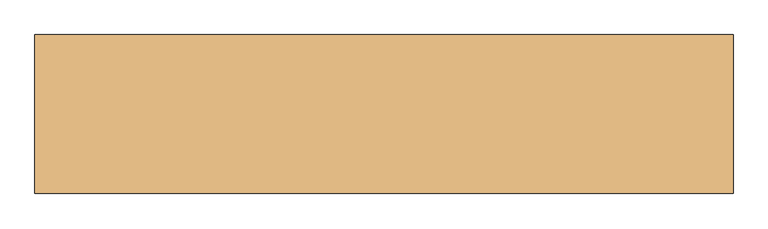
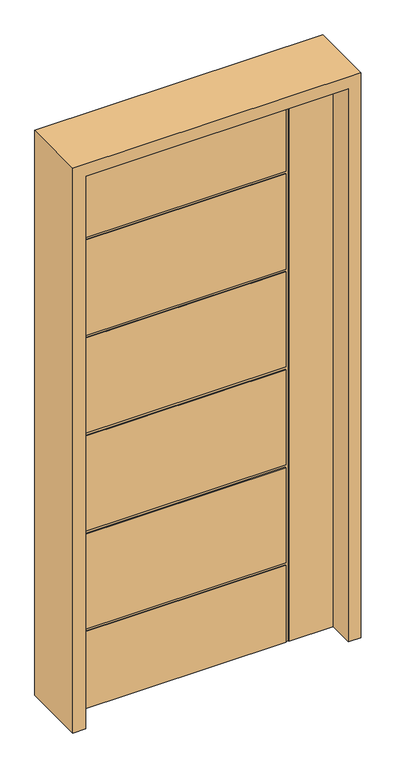
"""IFC4 building model written with IfcOpenShell, lengths in millimetres: door geometry."""

from ifc_helpers import new_model, si_unit, frame, origin, place, context, project, spatial, polyline, outline, extrude, faceted_brep, source, transform, mapped, element, save


def door_2d1f1983(model_context):
    return source(origin(), model_context, "Body", "SolidModel", [
        faceted_brep([(-457.2, -22.225, 0.0), (-457.2, 22.225, 0.0), (293.624, 22.225, 0.0), (293.624, 18.923, 0.0), (303.53, 18.923, 0.0), (303.53, 22.225, 0.0), (457.2, 22.225, 0.0), (457.2, -22.225, 0.0), (303.53, -22.225, 0.0), (303.53, -18.923, 0.0), (293.624, -18.923, 0.0), (293.624, -22.225, 0.0), (-457.2, -22.225, 2032.0), (-457.2, 22.225, 2032.0), (-457.2, 22.225, 1731.518), (-457.2, 18.923, 1731.518), (-457.2, 18.923, 1721.612), (-457.2, 22.225, 1721.612), (-457.2, 22.225, 1371.6), (-457.2, 18.923, 1371.6), (-457.2, 18.923, 1361.694), (-457.2, 22.225, 1361.694), (-457.2, 22.225, 1011.682), (-457.2, 18.923, 1011.682), (-457.2, 18.923, 1001.776), (-457.2, 22.225, 1001.776), (-457.2, 22.225, 651.764), (-457.2, 18.923, 651.764), (-457.2, 18.923, 641.858), (-457.2, 22.225, 641.858), (-457.2, 22.225, 291.846), (-457.2, 18.923, 291.846), (-457.2, 18.923, 281.94), (-457.2, 22.225, 281.94), (-457.2, -22.225, 281.94), (-457.2, -18.923, 281.94), (-457.2, -18.923, 291.846), (-457.2, -22.225, 291.846), (-457.2, -22.225, 641.858), (-457.2, -18.923, 641.858), (-457.2, -18.923, 651.764), (-457.2, -22.225, 651.764), (-457.2, -22.225, 1001.776), (-457.2, -18.923, 1001.776), (-457.2, -18.923, 1011.682), (-457.2, -22.225, 1011.682), (-457.2, -22.225, 1361.694), (-457.2, -18.923, 1361.694), (-457.2, -18.923, 1371.6), (-457.2, -22.225, 1371.6), (-457.2, -22.225, 1721.612), (-457.2, -18.923, 1721.612), (-457.2, -18.923, 1731.518), (-457.2, -22.225, 1731.518), (293.624, 22.225, 281.94), (293.624, 22.225, 1721.612), (293.624, 22.225, 1371.6), (293.624, 22.225, 1361.694), (293.624, 22.225, 1011.682), (293.624, 22.225, 1001.776), (293.624, 22.225, 651.764), (293.624, 22.225, 641.858), (293.624, 22.225, 291.846), (457.2, 22.225, 2032.0), (303.53, 22.225, 2032.0), (293.624, 22.225, 2032.0), (293.624, 22.225, 1731.518), (293.624, 18.923, 281.94), (293.624, 18.923, 291.846), (293.624, 18.923, 641.858), (293.624, 18.923, 651.764), (293.624, 18.923, 1001.776), (293.624, 18.923, 1011.682), (293.624, 18.923, 1361.694), (293.624, 18.923, 1371.6), (293.624, 18.923, 1721.612), (293.624, 18.923, 1731.518), (293.624, 18.923, 2032.0), (303.53, 18.923, 2032.0), (457.2, -22.225, 2032.0), (293.624, -22.225, 281.94), (303.53, -22.225, 2032.0), (293.624, -22.225, 291.846), (293.624, -22.225, 641.858), (293.624, -22.225, 651.764), (293.624, -22.225, 1001.776), (293.624, -22.225, 1011.682), (293.624, -22.225, 1361.694), (293.624, -22.225, 1371.6), (293.624, -22.225, 1721.612), (293.624, -22.225, 2032.0), (293.624, -22.225, 1731.518), (293.624, -18.923, 2032.0), (303.53, -18.923, 2032.0), (293.624, -18.923, 291.846), (293.624, -18.923, 281.94), (293.624, -18.923, 1731.518), (293.624, -18.923, 1721.612), (293.624, -18.923, 1371.6), (293.624, -18.923, 1361.694), (293.624, -18.923, 1011.682), (293.624, -18.923, 1001.776), (293.624, -18.923, 651.764), (293.624, -18.923, 641.858)], [[[0, 1, 2, 3, 4, 5, 6, 7, 8, 9, 10, 11]], [[12, 13, 14, 15, 16, 17, 18, 19, 20, 21, 22, 23, 24, 25, 26, 27, 28, 29, 30, 31, 32, 33, 1, 0, 34, 35, 36, 37, 38, 39, 40, 41, 42, 43, 44, 45, 46, 47, 48, 49, 50, 51, 52, 53]], [[2, 1, 33, 54]], [[18, 17, 55, 56]], [[22, 21, 57, 58]], [[26, 25, 59, 60]], [[30, 29, 61, 62]], [[63, 6, 5, 64]], [[13, 65, 66, 14]], [[67, 3, 2, 54]], [[68, 69, 28, 27, 70, 71, 24, 23, 72, 73, 20, 19, 74, 75, 16, 15, 76, 77, 78, 4, 3, 67, 32, 31]], [[63, 79, 7, 6]], [[0, 11, 80, 34]], [[7, 79, 81, 8]], [[38, 37, 82, 83]], [[42, 41, 84, 85]], [[46, 45, 86, 87]], [[50, 49, 88, 89]], [[90, 12, 53, 91]], [[32, 67, 54, 33]], [[28, 69, 61, 29]], [[69, 68, 62, 61]], [[68, 31, 30, 62]], [[24, 71, 59, 25]], [[71, 70, 60, 59]], [[70, 27, 26, 60]], [[73, 72, 58, 57]], [[72, 23, 22, 58]], [[79, 63, 64, 78, 77, 65, 13, 12, 90, 92, 93, 81]], [[20, 73, 57, 21]], [[74, 19, 18, 56]], [[75, 74, 56, 55]], [[16, 75, 55, 17]], [[76, 15, 14, 66]], [[77, 76, 66, 65]], [[4, 78, 64, 5]], [[93, 9, 8, 81]], [[94, 36, 35, 95, 10, 9, 93, 92, 96, 52, 51, 97, 98, 48, 47, 99, 100, 44, 43, 101, 102, 40, 39, 103]], [[10, 95, 80, 11]], [[95, 35, 34, 80]], [[36, 94, 82, 37]], [[94, 103, 83, 82]], [[103, 39, 38, 83]], [[40, 102, 84, 41]], [[102, 101, 85, 84]], [[101, 43, 42, 85]], [[44, 100, 86, 45]], [[100, 99, 87, 86]], [[99, 47, 46, 87]], [[48, 98, 88, 49]], [[98, 97, 89, 88]], [[97, 51, 50, 89]], [[52, 96, 91, 53]], [[96, 92, 90, 91]]]),
        extrude(outline(polyline([(0.0, -501.65), (0.0, -457.2), (2032.0, -457.2), (2032.0, 457.2), (0.0, 457.2), (0.0, 501.65), (2076.45, 501.65), (2076.45, -501.65), (0.0, -501.65)])), frame((0.0, -114.3, 0.0), z_axis=(0.0, 1.0, 0.0), x_axis=(0.0, 0.0, 1.0)), (0.0, 0.0, 1.0), 228.6),
    ])


if __name__ == "__main__":
    model = new_model("IFC4")
    model_context = context("Model", 3, world=origin())
    ifc_project = project(units=[si_unit("LENGTHUNIT", "METRE", prefix="MILLI")], contexts=[model_context])
    site = spatial("IfcSite", under=ifc_project)
    building = spatial("IfcBuilding", under=site)
    placement = place(None, origin())
    door_shape = door_2d1f1983(model_context)
    element("IfcDoor", 1, at=placement, inside=building, context=model_context, shape_type="MappedRepresentation", body=[
        mapped(door_shape, transform((0.0, 0.0, 0.0), x_axis=(1.0, 0.0, 0.0), y_axis=(0.0, 1.0, 0.0), z_axis=(0.0, 0.0, 1.0))),
    ])
    save(model, "model.ifc")
